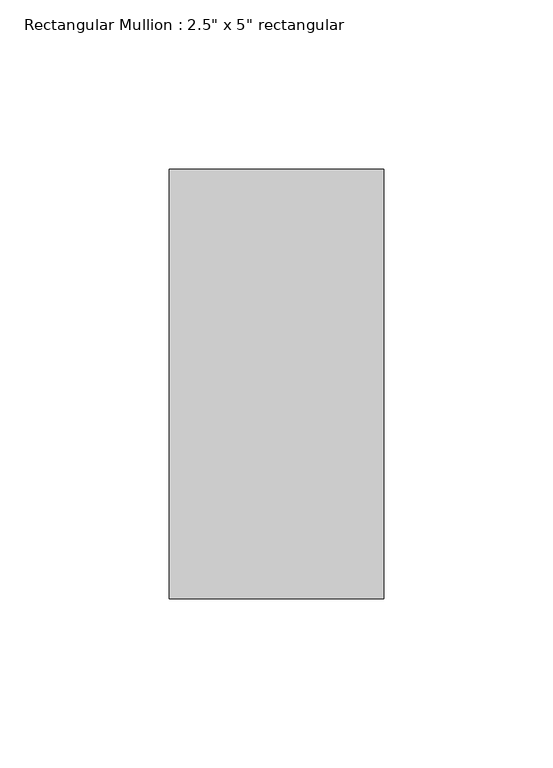
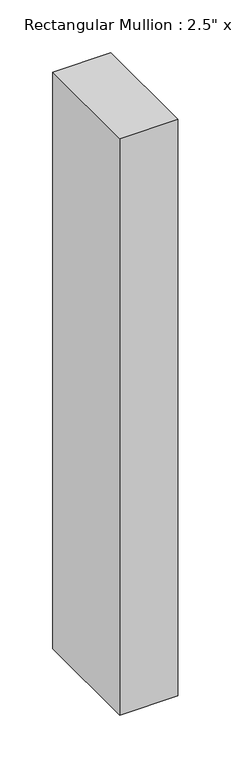
"""IFC4 building model written with IfcOpenShell, lengths in millimetres: member geometry."""

from ifc_helpers import new_model, si_unit, frame, origin, place, context, project, spatial, polyline, outline, extrude, source, transform, mapped, element, save


def member_c33c434a(model_context):
    return source(origin(), model_context, "Body", "SweptSolid", [
        extrude(outline(polyline([(0.0, 63.5), (0.0, -63.5), (-63.5, -63.5), (-63.5, 63.5), (0.0, 63.5)])), frame((0.0, 0.0, -666.75), z_axis=(0.0, 0.0, 1.0), x_axis=(1.0, 0.0, 0.0)), (0.0, 0.0, 1.0), 666.75),
    ])


if __name__ == "__main__":
    model = new_model("IFC4")
    model_context = context("Model", 3, world=origin())
    ifc_project = project(units=[si_unit("LENGTHUNIT", "METRE", prefix="MILLI")], contexts=[model_context])
    site = spatial("IfcSite", under=ifc_project)
    building = spatial("IfcBuilding", under=site)
    placement = place(None, origin())
    member_shape = member_c33c434a(model_context)
    element("IfcMember", 1, ObjectType="Rectangular Mullion : 2.5\" x 5\" rectangular", at=placement, inside=building, context=model_context, shape_type="MappedRepresentation", body=[
        mapped(member_shape, transform((0.0, 0.0, 0.0), x_axis=(1.0, 0.0, 0.0), y_axis=(0.0, 1.0, 0.0), z_axis=(0.0, 0.0, 1.0))),
    ])
    save(model, "model.ifc")
